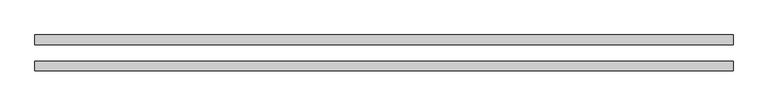
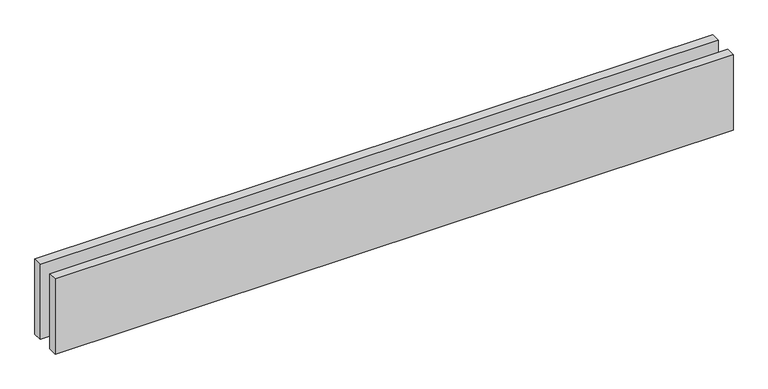
"""IFC4 building model written with IfcOpenShell, lengths in millimetres: proxy geometry."""

from ifc_helpers import new_model, si_unit, origin, origin_with_axes, place, context, project, spatial, polyline, outline, extrude, source, transform, mapped, element, save


def generic_models_943f8dfa(model_context):
    return source(origin(), model_context, "Body", "SweptSolid", [
        extrude(outline(polyline([(2135.0, 25.0), (0.0, 25.0), (0.0, 55.0), (2135.0, 55.0), (2135.0, 25.0)])), origin_with_axes(), (0.0, 0.0, 1.0), 250.0),
        extrude(outline(polyline([(2135.0, -55.0), (0.0, -55.0), (0.0, -25.0), (2135.0, -25.0), (2135.0, -55.0)])), origin_with_axes(), (0.0, 0.0, 1.0), 250.0),
    ])


if __name__ == "__main__":
    model = new_model("IFC4")
    model_context = context("Model", 3, world=origin())
    ifc_project = project(units=[si_unit("LENGTHUNIT", "METRE", prefix="MILLI")], contexts=[model_context])
    site = spatial("IfcSite", under=ifc_project)
    building = spatial("IfcBuilding", under=site)
    placement = place(None, origin())
    generic_models_shape = generic_models_943f8dfa(model_context)
    element("IfcBuildingElementProxy", 1, Name="Generic Models", at=placement, inside=building, context=model_context, shape_type="MappedRepresentation", body=[
        mapped(generic_models_shape, transform((0.0, 0.0, 0.0), x_axis=(1.0, 0.0, 0.0), y_axis=(0.0, 1.0, 0.0), z_axis=(0.0, 0.0, 1.0))),
    ])
    save(model, "model.ifc")
